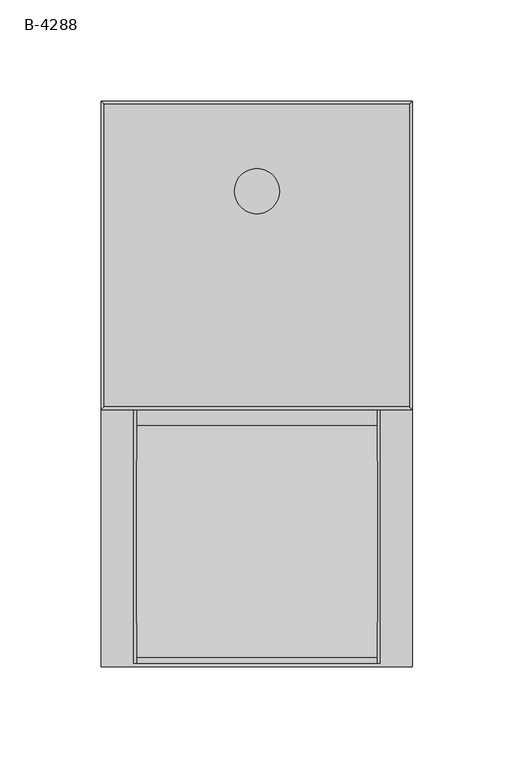
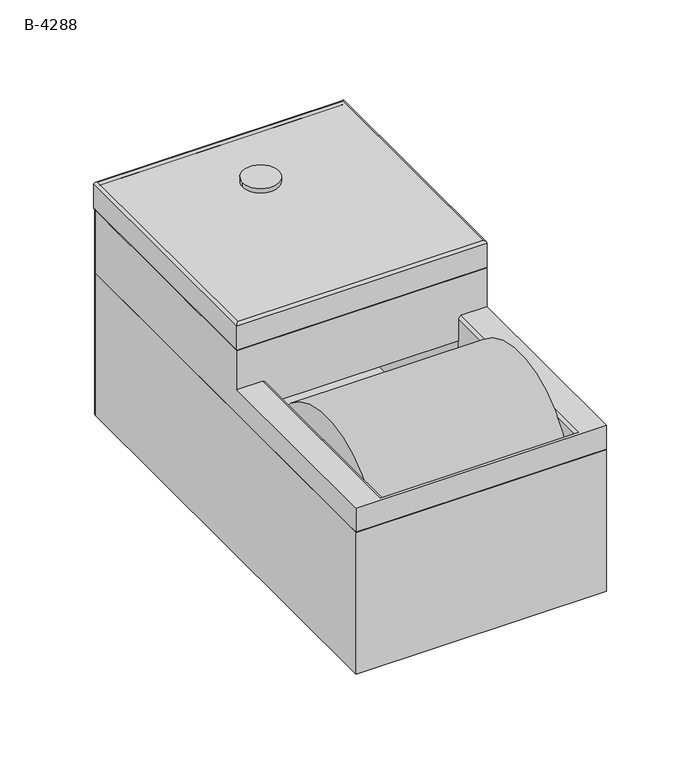
"""IFC4 building model written with IfcOpenShell, lengths in millimetres: proxy geometry, B-4288."""

from ifc_helpers import new_model, si_unit, point, frame, frame_2d, origin, place, context, project, spatial, polyline, circle_curve, ellipse_curve, trimmed, segment, composite_curve, outline, extrude, source, transform, mapped, element, save
from ifc_brep_helpers import plane_surface, cylinder_surface, revolved_surface, advanced_brep


def b_4288_361cdccb(model_context):
    return source(origin(), model_context, "Body", "SolidModel", [
        advanced_brep(
        [(75.40625, -138.1125, 1.5875), (75.40625, 138.1125, 1.5875), (-75.40625, 138.1125, 1.5875), (-75.40625, -138.1125, 1.5875), (-76.99375, -139.7, 0.0), (-76.99375, 138.1125, 0.0), (-75.40625, 139.7, 0.0), (75.4166754, 139.7, 0.0), (76.99375, 138.1229254, 0.0), (76.99375, -139.7, 0.0), (76.99375, -139.7, 92.075), (-76.99375, -139.7, 92.075), (76.99375, 138.1229254, 1.5875), (76.99375, 138.1229254, 92.075), (75.4166754, 139.7, 1.5875), (-75.40625, 139.7, 1.5875), (-75.40625, 139.7, 92.075), (75.4166754, 139.7, 92.075), (-76.99375, 138.1125, 1.5875), (-76.99375, 138.1125, 92.075), (75.40625, 138.1125, 92.075), (75.40625, -138.1125, 92.075), (-75.40625, -138.1125, 92.075), (-75.40625, 138.1125, 92.075)],
        [
            (0, 1),
            (1, 2),
            (2, 3),
            (3, 0),
            (4, 5),
            (5, 6, circle_curve(frame((-75.40625, 138.1125, 0.0), z_axis=(0.0, 0.0, -1.0), x_axis=(1.0, 0.0, 0.0)), 1.5875)),
            (6, 7),
            (7, 8, circle_curve(frame((75.4166754, 138.1229254, 0.0), z_axis=(0.0, 0.0, -1.0), x_axis=(1.0, 0.0, 0.0)), 1.5770746)),
            (8, 9),
            (9, 4),
            (9, 10),
            (10, 11),
            (11, 4),
            (8, 12),
            (12, 13),
            (13, 10),
            (7, 14),
            (14, 12, circle_curve(frame((75.4166754, 138.1229254, 1.5875), z_axis=(0.0, 0.0, -1.0), x_axis=(1.0, 0.0, 0.0)), 1.5770746)),
            (6, 15),
            (15, 16),
            (16, 17),
            (17, 14),
            (5, 18),
            (18, 15, circle_curve(frame((-75.40625, 138.1125, 1.5875), z_axis=(0.0, 0.0, -1.0), x_axis=(1.0, 0.0, 0.0)), 1.5875)),
            (11, 19),
            (19, 18),
            (16, 19, circle_curve(frame((-75.40625, 138.1125, 92.075), z_axis=(0.0, 0.0, 1.0), x_axis=(1.0, 0.0, 0.0)), 1.5875)),
            (13, 17, circle_curve(frame((75.4166754, 138.1229254, 92.075), z_axis=(0.0, 0.0, 1.0), x_axis=(1.0, 0.0, 0.0)), 1.5770746)),
            (20, 21),
            (21, 22),
            (22, 23),
            (23, 20),
            (20, 1),
            (0, 21),
            (3, 22),
            (2, 23),
        ],
        [
            plane_surface(frame((-76.99375, -139.7, 1.5875), z_axis=(0.0, 0.0, 1.0), x_axis=(1.0, 0.0, 0.0))),
            plane_surface(frame((-76.99375, -139.7, 0.0), z_axis=(0.0, 0.0, -1.0), x_axis=(-1.0, 0.0, 0.0))),
            plane_surface(frame((-76.99375, -139.7, 1.5875), z_axis=(0.0, -1.0, 0.0), x_axis=(0.0, 0.0, -1.0))),
            plane_surface(frame((76.99375, -139.7, 1.5875), z_axis=(1.0, 0.0, 0.0), x_axis=(0.0, 0.0, -1.0))),
            cylinder_surface(frame((75.4166754, 138.1229254, 0.0), z_axis=(0.0, 0.0, 1.0), x_axis=(1.0, 0.0, 0.0)), 1.5770746),
            plane_surface(frame((75.4166754, 139.7, 1.5875), z_axis=(0.0, 1.0, 0.0), x_axis=(0.0, 0.0, -1.0))),
            cylinder_surface(frame((-75.40625, 138.1125, 0.0), z_axis=(0.0, 0.0, 1.0), x_axis=(1.0, 0.0, 0.0)), 1.5875),
            plane_surface(frame((-76.99375, 138.1125, 1.5875), z_axis=(-1.0, 0.0, 0.0), x_axis=(0.0, 0.0, -1.0))),
            plane_surface(frame((-76.99375, 139.7, 92.075), z_axis=(0.0, 0.0, 1.0), x_axis=(-1.0, 0.0, 0.0))),
            plane_surface(frame((75.40625, 138.1125, 92.075), z_axis=(-1.0, 0.0, 0.0), x_axis=(0.0, 0.0, -1.0))),
            plane_surface(frame((75.40625, -138.1125, 92.075), z_axis=(0.0, 1.0, 0.0), x_axis=(0.0, 0.0, -1.0))),
            plane_surface(frame((-75.40625, -138.1125, 92.075), z_axis=(1.0, 0.0, 0.0), x_axis=(0.0, 0.0, -1.0))),
            plane_surface(frame((-75.40625, 138.1125, 92.075), z_axis=(0.0, -1.0, 0.0), x_axis=(0.0, 0.0, -1.0))),
        ],
        [
            (0, [[1, 2, 3, 4]]),
            (1, [[5, 6, 7, 8, 9, 10]]),
            (2, [[-10, 11, 12, 13]]),
            (3, [[-11, -9, 14, 15, 16]]),
            (4, [[-8, 17, 18, -14]]),
            (5, [[-7, 19, 20, 21, 22, -17]]),
            (6, [[-6, 23, 24, -19]]),
            (7, [[-5, -13, 25, 26, -23]]),
            (8, [[-21, 27, -25, -12, -16, 28], [29, 30, 31, 32]]),
            (6, [[-27, -20, -24, -26]]),
            (4, [[-28, -15, -18, -22]]),
            (9, [[-29, 33, -1, 34]]),
            (10, [[-30, -34, -4, 35]]),
            (11, [[-31, -35, -3, 36]]),
            (12, [[-32, -36, -2, -33]]),
        ],
    ),
        advanced_brep(
        [(-77.0155169, -12.7211429, 107.95), (-77.0155169, -139.7, 107.95), (76.99375, -139.7, 107.95), (76.99375, -12.7, 107.95), (61.11875, -12.7, 107.95), (61.11875, -138.1125, 107.95), (-61.11875, -138.1125, 107.95), (-61.11875, -12.7, 107.95), (76.99375, -139.7, 92.075), (-77.0155169, -139.7, 92.075), (-76.99375, 138.1125, 92.075), (-75.40625, 139.7, 92.075), (75.4166754, 139.7, 92.075), (76.99375, 138.1229254, 92.075), (-75.40625, -12.7211429, 92.075), (-75.40625, -138.1125, 92.075), (-61.3767551, -138.1125, 92.075), (-59.53125, -138.1125, 92.075), (59.53125, -138.1125, 92.075), (61.3767551, -138.1125, 92.075), (75.40625, -138.1125, 92.075), (75.40625, -12.7, 92.075), (61.3767551, -12.7019668, 92.075), (59.53125, -12.7, 92.075), (-59.53125, -12.7189174, 92.075), (-61.3767551, -12.7, 92.075), (-77.0155169, -12.7, 133.35), (-77.0155169, 138.1125, 133.35), (76.99375, 138.1229254, 133.35), (76.99375, -12.7, 133.35), (75.40625, -138.1125, 106.3625), (75.40625, -12.7, 106.3625), (59.53125, -138.1125, 106.3625), (-59.53125, -138.1125, 106.3625), (-75.40625, -138.1125, 106.3625), (-61.3767551, -138.1125, 106.3625), (61.3767551, -138.1125, 106.3625), (-75.40625, -12.7, 106.3625), (75.4166754, 139.7, 133.35), (-75.40625, 139.7, 133.35), (61.3767551, -12.7, 106.3625), (-61.3767551, -12.7, 106.3625), (-59.53125, -12.7, 106.3625), (59.53125, -12.7, 106.3625), (-61.3767551, -138.1125, 1.5875), (-59.53125, -138.1125, 1.5875), (59.53125, -138.1125, 1.5875), (61.3767551, -138.1125, 1.5875), (-59.53125, -12.7, 1.5875), (-61.3767551, -12.7, 1.5875), (61.3767551, -12.7, 1.5875), (59.53125, -12.7, 1.5875)],
        [
            (0, 1),
            (1, 2),
            (2, 3),
            (3, 4),
            (4, 5),
            (5, 6),
            (6, 7),
            (7, 0),
            (8, 9),
            (9, 10),
            (10, 11, circle_curve(frame((-75.40625, 138.1125, 92.075), z_axis=(0.0, 0.0, -1.0), x_axis=(1.0, 0.0, 0.0)), 1.5875)),
            (11, 12),
            (12, 13, circle_curve(frame((75.4166754, 138.1229254, 92.075), z_axis=(0.0, 0.0, -1.0), x_axis=(1.0, 0.0, 0.0)), 1.5770746)),
            (13, 8),
            (14, 15),
            (15, 16),
            (16, 17),
            (17, 18),
            (18, 19),
            (19, 20),
            (20, 21),
            (21, 22),
            (22, 23),
            (23, 24),
            (24, 25),
            (25, 14),
            (0, 26),
            (26, 27),
            (27, 10),
            (9, 1),
            (8, 2),
            (13, 28),
            (28, 29),
            (29, 3),
            (20, 30),
            (30, 31),
            (31, 21),
            (5, 32, circle_curve(frame((61.11875, -138.1125, 106.3625), z_axis=(0.0, -1.0, 0.0), x_axis=(1.0, 0.0, 0.0)), 1.5875)),
            (32, 18),
            (17, 33),
            (33, 6, circle_curve(frame((-61.11875, -138.1125, 106.3625), z_axis=(0.0, -1.0, 0.0), x_axis=(1.0, 0.0, 0.0)), 1.5875)),
            (15, 34),
            (34, 35),
            (35, 16),
            (19, 36),
            (36, 30),
            (14, 37),
            (37, 34),
            (38, 39),
            (39, 27, circle_curve(frame((-75.40625, 138.1125, 133.35), z_axis=(0.0, 0.0, 1.0), x_axis=(1.0, 0.0, 0.0)), 1.5875)),
            (26, 29),
            (28, 38, circle_curve(frame((75.4166754, 138.1229254, 133.35), z_axis=(0.0, 0.0, 1.0), x_axis=(1.0, 0.0, 0.0)), 1.5770746)),
            (38, 12),
            (11, 39),
            (31, 40),
            (40, 22),
            (25, 41),
            (41, 37),
            (7, 42, circle_curve(frame((-61.11875, -12.7, 106.3625), z_axis=(0.0, 1.0, 0.0), x_axis=(1.0, 0.0, 0.0)), 1.5875)),
            (42, 24),
            (23, 43),
            (43, 4, circle_curve(frame((61.11875, -12.7, 106.3625), z_axis=(0.0, 1.0, 0.0), x_axis=(1.0, 0.0, 0.0)), 1.5875)),
            (44, 45),
            (45, 17),
            (16, 44),
            (46, 47),
            (47, 19),
            (18, 46),
            (48, 49),
            (49, 25),
            (24, 48),
            (50, 51),
            (51, 23),
            (22, 50),
            (41, 35),
            (49, 44),
            (48, 45),
            (42, 33),
            (43, 32),
            (51, 46),
            (50, 47),
            (40, 36),
        ],
        [
            plane_surface(frame((-77.0155169, -12.7211429, 107.95), z_axis=(0.0, 0.0, 1.0), x_axis=(-1.0, 0.0, 0.0))),
            plane_surface(frame((-77.0155169, -12.7211429, 92.075), z_axis=(0.0, 0.0, -1.0), x_axis=(1.0, 0.0, 0.0))),
            plane_surface(frame((-77.0155169, -12.7211429, 107.95), z_axis=(-1.0, 0.0, 0.0), x_axis=(0.0, 0.0, -1.0))),
            plane_surface(frame((-77.0155169, -139.7, 107.95), z_axis=(0.0, -1.0, 0.0), x_axis=(0.0, 0.0, -1.0))),
            plane_surface(frame((76.99375, -139.7, 107.95), z_axis=(1.0, 0.0, 0.0), x_axis=(0.0, 0.0, -1.0))),
            plane_surface(frame((75.40625, -12.7, 107.95), z_axis=(-1.0, 0.0, 0.0), x_axis=(0.0, 0.0, -1.0))),
            plane_surface(frame((75.40625, -138.1125, 107.95), z_axis=(0.0, 1.0, 0.0), x_axis=(0.0, 0.0, -1.0))),
            plane_surface(frame((-75.40625, -138.1125, 107.95), z_axis=(1.0, 0.0, 0.0), x_axis=(0.0, 0.0, -1.0))),
            plane_surface(frame((-76.99375, 139.7, 133.35), z_axis=(0.0, 0.0, 1.0), x_axis=(-1.0, 0.0, 0.0))),
            plane_surface(frame((75.4166754, 139.7, 133.35), z_axis=(0.0, 1.0, 0.0), x_axis=(0.0, 0.0, -1.0))),
            plane_surface(frame((-76.99375, -12.7, 133.35), z_axis=(0.0, -1.0, 0.0), x_axis=(0.0, 0.0, -1.0))),
            cylinder_surface(frame((-75.40625, 138.1125, 92.075), z_axis=(0.0, 0.0, 1.0), x_axis=(1.0, 0.0, 0.0)), 1.5875),
            cylinder_surface(frame((75.4166754, 138.1229254, 92.075), z_axis=(0.0, 0.0, 1.0), x_axis=(1.0, 0.0, 0.0)), 1.5770746),
            plane_surface(frame((-75.40625, -138.1125, 106.3625), z_axis=(0.0, -1.0, 0.0), x_axis=(0.0, 0.0, -1.0))),
            plane_surface(frame((-75.40625, -12.7, 106.3625), z_axis=(0.0, 1.0, 0.0), x_axis=(0.0, 0.0, 1.0))),
            plane_surface(frame((-75.40625, -138.1125, 106.3625), z_axis=(4.208996715398885e-12, 0.0, -1.0), x_axis=(0.0, 1.0, 0.0))),
            plane_surface(frame((-61.3767551, -138.1125, 106.3625), z_axis=(-1.0, 0.0, 0.0), x_axis=(0.0, 1.0, 0.0))),
            plane_surface(frame((-61.3767551, -138.1125, 1.5875), z_axis=(0.0, 0.0, -1.0), x_axis=(0.0, 1.0, 0.0))),
            plane_surface(frame((-59.53125, -138.1125, 1.5875), z_axis=(1.0, 0.0, 0.0), x_axis=(0.0, 1.0, 0.0))),
            cylinder_surface(frame((-61.11875, -12.7, 106.3625), z_axis=(0.0, -1.0, 0.0), x_axis=(1.0, 0.0, 0.0)), 1.5875),
            cylinder_surface(frame((61.11875, 0.0, 106.3625), z_axis=(0.0, -1.0, 0.0), x_axis=(1.0, 0.0, 0.0)), 1.5875),
            plane_surface(frame((59.53125, -138.1125, 106.3625), z_axis=(-1.0, 0.0, 0.0), x_axis=(0.0, 1.0, 0.0))),
            plane_surface(frame((59.53125, -138.1125, 1.5875), z_axis=(0.0, 0.0, -1.0), x_axis=(0.0, 1.0, 0.0))),
            plane_surface(frame((61.3767551, -138.1125, 1.5875), z_axis=(1.0, 0.0, 0.0), x_axis=(0.0, 1.0, 0.0))),
            plane_surface(frame((61.3767551, -138.1125, 106.3625), z_axis=(-4.608188094441687e-12, 0.0, -1.0), x_axis=(0.0, 1.0, 0.0))),
        ],
        [
            (0, [[1, 2, 3, 4, 5, 6, 7, 8]]),
            (1, [[9, 10, 11, 12, 13, 14], [15, 16, 17, 18, 19, 20, 21, 22, 23, 24, 25, 26]]),
            (2, [[-1, 27, 28, 29, -10, 30]]),
            (3, [[-2, -30, -9, 31]]),
            (4, [[-3, -31, -14, 32, 33, 34]]),
            (5, [[-21, 35, 36, 37]]),
            (6, [[-6, 38, 39, -18, 40, 41]]),
            (6, [[-16, 42, 43, 44]]),
            (6, [[-20, 45, 46, -35]]),
            (7, [[-15, 47, 48, -42]]),
            (8, [[49, 50, -28, 51, -33, 52]]),
            (9, [[-49, 53, -12, 54]]),
            (10, [[-22, -37, 55, 56]]),
            (10, [[-26, 57, 58, -47]]),
            (10, [[-51, -27, -8, 59, 60, -24, 61, 62, -4, -34]]),
            (11, [[-50, -54, -11, -29]]),
            (12, [[-52, -32, -13, -53]]),
            (13, [[63, 64, -17, 65]]),
            (13, [[66, 67, -19, 68]]),
            (14, [[69, 70, -25, 71]]),
            (14, [[72, 73, -23, 74]]),
            (15, [[75, -43, -48, -58]]),
            (16, [[-75, -57, -70, 76, -65, -44]]),
            (17, [[-63, -76, -69, 77]]),
            (18, [[-77, -71, -60, 78, -40, -64]]),
            (19, [[-78, -59, -7, -41]]),
            (20, [[-5, -62, 79, -38]]),
            (21, [[-79, -61, -73, 80, -68, -39]]),
            (22, [[-66, -80, -72, 81]]),
            (23, [[-81, -74, -56, 82, -45, -67]]),
            (24, [[-82, -55, -36, -46]]),
        ],
    ),
        advanced_brep(
        [(75.40625, -11.1125, 150.8125), (75.40625, 138.1125, 150.8125), (-75.40625, 138.1125, 150.8125), (-75.40625, -11.1125, 150.8125), (73.81875, 136.525, 149.225), (73.81875, -9.525, 149.225), (-73.81875, -9.525, 149.225), (-73.81875, 136.525, 149.225), (76.99375, 139.7, 133.35), (76.99375, 139.7, 149.225), (76.99375, -12.7, 149.225), (76.99375, -12.7, 133.35), (75.40625, 138.1125, 147.6375), (75.40625, 138.1125, 133.35), (75.40625, -11.1125, 133.35), (75.40625, -11.1125, 147.6375), (-76.99375, -12.7, 149.225), (-76.99375, -12.7, 133.35), (-75.40625, -11.1125, 133.35), (-75.40625, -11.1125, 147.6375), (-76.99375, 139.7, 149.225), (-76.99375, 139.7, 133.35), (-75.40625, 138.1125, 133.35), (-75.40625, 138.1125, 147.6375)],
        [
            (0, 1),
            (1, 2),
            (2, 3),
            (3, 0),
            (4, 5),
            (5, 6),
            (6, 7),
            (7, 4),
            (8, 9),
            (9, 10),
            (10, 11),
            (11, 8),
            (12, 13),
            (13, 14),
            (14, 15),
            (15, 12),
            (15, 5, ellipse_curve(frame((73.81875, -9.525, 147.6375), z_axis=(-0.7071067811865475, -0.7071067811865475, 0.0), x_axis=(0.7071067811865474, -0.7071067811865476, 0.0)), 2.245064, 1.5875)),
            (4, 12, ellipse_curve(frame((73.81875, 136.525, 147.6375), z_axis=(-0.7071067811865475, 0.7071067811865475, 0.0), x_axis=(-0.7071067811865474, -0.7071067811865476, 0.0)), 2.245064, 1.5875)),
            (9, 1, ellipse_curve(frame((75.40625, 138.1125, 149.225), z_axis=(0.7071067811865475, -0.7071067811865475, 0.0), x_axis=(0.7071067811865474, 0.7071067811865476, 0.0)), 2.245064, 1.5875)),
            (0, 10, ellipse_curve(frame((75.40625, -11.1125, 149.225), z_axis=(0.7071067811865475, 0.7071067811865475, 0.0), x_axis=(-0.7071067811865474, 0.7071067811865476, 0.0)), 2.245064, 1.5875)),
            (10, 16),
            (16, 17),
            (17, 11),
            (14, 18),
            (18, 19),
            (19, 15),
            (19, 6, ellipse_curve(frame((-73.81875, -9.525, 147.6375), z_axis=(-0.7071067811865475, 0.7071067811865475, 0.0), x_axis=(-0.7071067811865476, -0.7071067811865474, 0.0)), 2.245064, 1.5875)),
            (3, 16, ellipse_curve(frame((-75.40625, -11.1125, 149.225), z_axis=(0.7071067811865475, -0.7071067811865475, 0.0), x_axis=(0.7071067811865476, 0.7071067811865474, 0.0)), 2.245064, 1.5875)),
            (16, 20),
            (20, 21),
            (21, 17),
            (18, 22),
            (22, 23),
            (23, 19),
            (23, 7, ellipse_curve(frame((-73.81875, 136.525, 147.6375), z_axis=(0.7071067811865475, 0.7071067811865475, 0.0), x_axis=(-0.7071067811865474, 0.7071067811865476, 0.0)), 2.245064, 1.5875)),
            (2, 20, ellipse_curve(frame((-75.40625, 138.1125, 149.225), z_axis=(-0.7071067811865475, -0.7071067811865475, 0.0), x_axis=(0.7071067811865474, -0.7071067811865476, 0.0)), 2.245064, 1.5875)),
            (8, 21),
            (20, 9),
            (13, 22),
            (12, 23),
        ],
        [
            plane_surface(frame((-69.05625, 131.7625, 150.8125), z_axis=(0.0, 0.0, 1.0), x_axis=(-1.0, 0.0, 0.0))),
            plane_surface(frame((-69.05625, 131.7625, 149.225), z_axis=(0.0, 0.0, -1.0), x_axis=(1.0, 0.0, 0.0))),
            plane_surface(frame((76.99375, 139.7, 149.225), z_axis=(1.0, 0.0, 0.0), x_axis=(0.0, -1.0, 0.0))),
            plane_surface(frame((75.40625, 138.1125, 133.35), z_axis=(-1.0, 0.0, 0.0), x_axis=(0.0, -1.0, 0.0))),
            revolved_surface(polyline([(75.40625, -11.112500000000011, 147.6375), (75.40625, 138.1125, 147.6375)]), (73.81875, 139.7, 147.6375), (0.0, -1.0, 0.0)),
            cylinder_surface(frame((75.40625, 139.7, 149.225), z_axis=(0.0, 1.0, 0.0), x_axis=(1.0, 0.0, 0.0)), 1.5875),
            plane_surface(frame((76.99375, -12.7, 149.225), z_axis=(0.0, -1.0, 0.0), x_axis=(-1.0, 0.0, 0.0))),
            plane_surface(frame((75.40625, -11.1125, 133.35), z_axis=(0.0, 1.0, 0.0), x_axis=(-1.0, 0.0, 0.0))),
            revolved_surface(polyline([(-75.40625, -11.1125, 147.6375), (75.40625, -11.1125, 147.6375)]), (76.99375, -9.525, 147.6375), (-1.0, 0.0, 0.0)),
            cylinder_surface(frame((76.99375, -11.1125, 149.225), z_axis=(1.0, 0.0, 0.0), x_axis=(0.0, -1.0, 0.0)), 1.5875),
            plane_surface(frame((-76.99375, -12.7, 149.225), z_axis=(-1.0, 0.0, 0.0), x_axis=(0.0, 1.0, 0.0))),
            plane_surface(frame((-75.40625, -11.1125, 133.35), z_axis=(1.0, 0.0, 0.0), x_axis=(0.0, 1.0, 0.0))),
            revolved_surface(polyline([(-75.40625, 138.1125, 147.6375), (-75.40625, -11.1125, 147.6375)]), (-73.81875, -12.7, 147.6375), (0.0, 1.0, 0.0)),
            cylinder_surface(frame((-75.40625, -12.7, 149.225), z_axis=(0.0, -1.0, 0.0), x_axis=(-1.0, 0.0, 0.0)), 1.5875),
            plane_surface(frame((-76.99375, 139.7, 149.225), z_axis=(0.0, 1.0, 0.0), x_axis=(1.0, 0.0, 0.0))),
            plane_surface(frame((-76.99375, 139.7, 133.35), z_axis=(0.0, 0.0, -1.0), x_axis=(1.0, 0.0, 0.0))),
            plane_surface(frame((-75.40625, 138.1125, 133.35), z_axis=(0.0, -1.0, 0.0), x_axis=(1.0, 0.0, 0.0))),
            revolved_surface(polyline([(75.40625, 138.1125, 147.6375), (-75.40625, 138.1125, 147.6375)]), (-76.99375, 136.525, 147.6375), (1.0, 0.0, 0.0)),
            cylinder_surface(frame((-76.99375, 138.1125, 149.225), z_axis=(-1.0, 0.0, 0.0), x_axis=(0.0, 1.0, 0.0)), 1.5875),
        ],
        [
            (0, [[1, 2, 3, 4]]),
            (1, [[5, 6, 7, 8]]),
            (2, [[9, 10, 11, 12]]),
            (3, [[13, 14, 15, 16]]),
            (4, [[-16, 17, -5, 18]]),
            (5, [[-10, 19, -1, 20]]),
            (6, [[-11, 21, 22, 23]]),
            (7, [[-15, 24, 25, 26]]),
            (8, [[-17, -26, 27, -6]]),
            (9, [[-20, -4, 28, -21]]),
            (10, [[-22, 29, 30, 31]]),
            (11, [[-25, 32, 33, 34]]),
            (12, [[-27, -34, 35, -7]]),
            (13, [[-28, -3, 36, -29]]),
            (14, [[-9, 37, -30, 38]]),
            (15, [[-12, -23, -31, -37], [-14, 39, -32, -24]]),
            (16, [[-13, 40, -33, -39]]),
            (17, [[-18, -8, -35, -40]]),
            (18, [[-19, -38, -36, -2]]),
        ],
    ),
        extrude(outline(composite_curve([segment(trimmed(circle_curve(frame_2d((0.0, 95.25)), 11.1125), [point((-11.1125, 95.25))], [point((11.1125, 95.25))], False, "CARTESIAN"), True, "CONTINUOUS"), segment(trimmed(circle_curve(frame_2d((0.0, 95.25)), 11.1125), [point((11.1125, 95.25))], [point((-11.1125, 95.25))], False, "CARTESIAN"), True, "CONTINUOUS")], self_intersect=False)), frame((0.0, 0.0, 150.8125), z_axis=(0.0, 0.0, 1.0), x_axis=(1.0, 0.0, 0.0)), (0.0, 0.0, 1.0), 3.175),
        extrude(outline(composite_curve([segment(trimmed(circle_curve(frame_2d((-77.7875, 66.675)), 57.15), [point((-134.9375, 66.675))], [point((-20.6375, 66.675))], False, "CARTESIAN"), True, "CONTINUOUS"), segment(trimmed(circle_curve(frame_2d((-77.7875, 66.675)), 57.15), [point((-20.6375, 66.675))], [point((-134.9375, 66.675))], False, "CARTESIAN"), True, "CONTINUOUS")], self_intersect=False), holes=[composite_curve([segment(trimmed(circle_curve(frame_2d((-77.7875, 66.675)), 12.7), [point((-90.4875, 66.675))], [point((-65.0875, 66.675))], True, "CARTESIAN"), True, "CONTINUOUS"), segment(trimmed(circle_curve(frame_2d((-77.7875, 66.675)), 12.7), [point((-65.0875, 66.675))], [point((-90.4875, 66.675))], True, "CARTESIAN"), True, "CONTINUOUS")], self_intersect=False)]), frame((-59.53125, 0.0, 0.0), z_axis=(1.0, 0.0, 0.0), x_axis=(0.0, 1.0, 0.0)), (0.0, 0.0, 1.0), 119.0625),
    ])


if __name__ == "__main__":
    model = new_model("IFC4")
    model_context = context("Model", 3, world=origin())
    ifc_project = project(units=[si_unit("LENGTHUNIT", "METRE", prefix="MILLI")], contexts=[model_context])
    site = spatial("IfcSite", under=ifc_project)
    building = spatial("IfcBuilding", under=site)
    placement = place(None, origin())
    b_4288_shape = b_4288_361cdccb(model_context)
    element("IfcBuildingElementProxy", 1, Name="B-4288", ObjectType="B-4288", at=placement, inside=building, context=model_context, shape_type="MappedRepresentation", body=[
        mapped(b_4288_shape, transform((0.0, 0.0, 0.0), x_axis=(1.0, 0.0, 0.0), y_axis=(0.0, 1.0, 0.0), z_axis=(0.0, 0.0, 1.0))),
    ])
    save(model, "model.ifc")
